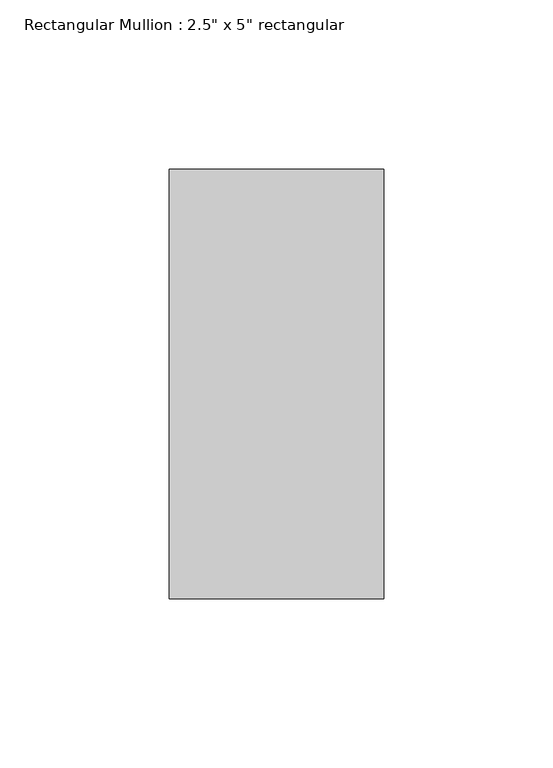
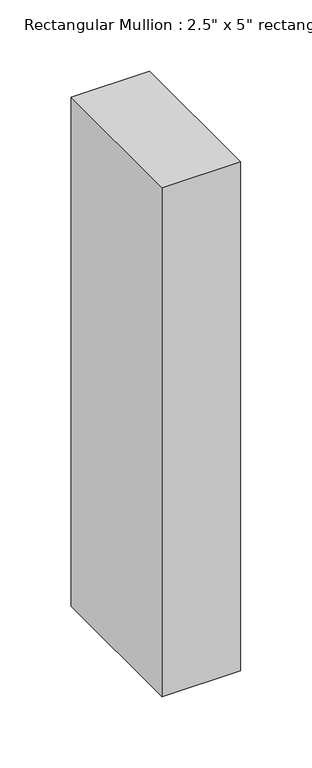
"""IFC4 building model written with IfcOpenShell, lengths in millimetres: member geometry."""

from ifc_helpers import new_model, si_unit, frame, origin, place, context, project, spatial, polyline, outline, extrude, source, transform, mapped, element, save


def member_6dea16db(model_context):
    return source(origin(), model_context, "Body", "SweptSolid", [
        extrude(outline(polyline([(0.0, 63.5), (0.0, -63.5), (-63.5, -63.5), (-63.5, 63.5), (0.0, 63.5)])), frame((0.0, 0.0, -435.0394742), z_axis=(0.0, 0.0, 1.0), x_axis=(1.0, 0.0, 0.0)), (0.0, 0.0, 1.0), 435.0394742),
    ])


if __name__ == "__main__":
    model = new_model("IFC4")
    model_context = context("Model", 3, world=origin())
    ifc_project = project(units=[si_unit("LENGTHUNIT", "METRE", prefix="MILLI")], contexts=[model_context])
    site = spatial("IfcSite", under=ifc_project)
    building = spatial("IfcBuilding", under=site)
    placement = place(None, origin())
    member_shape = member_6dea16db(model_context)
    element("IfcMember", 1, ObjectType="Rectangular Mullion : 2.5\" x 5\" rectangular", at=placement, inside=building, context=model_context, shape_type="MappedRepresentation", body=[
        mapped(member_shape, transform((0.0, 0.0, 0.0), x_axis=(1.0, 0.0, 0.0), y_axis=(0.0, 1.0, 0.0), z_axis=(0.0, 0.0, 1.0))),
    ])
    save(model, "model.ifc")
